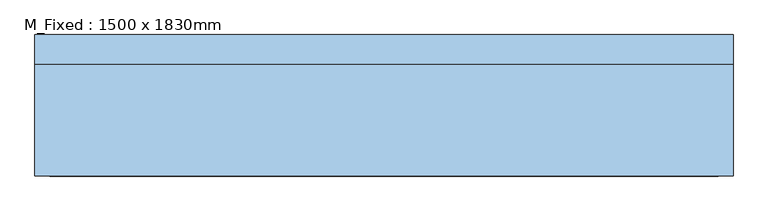
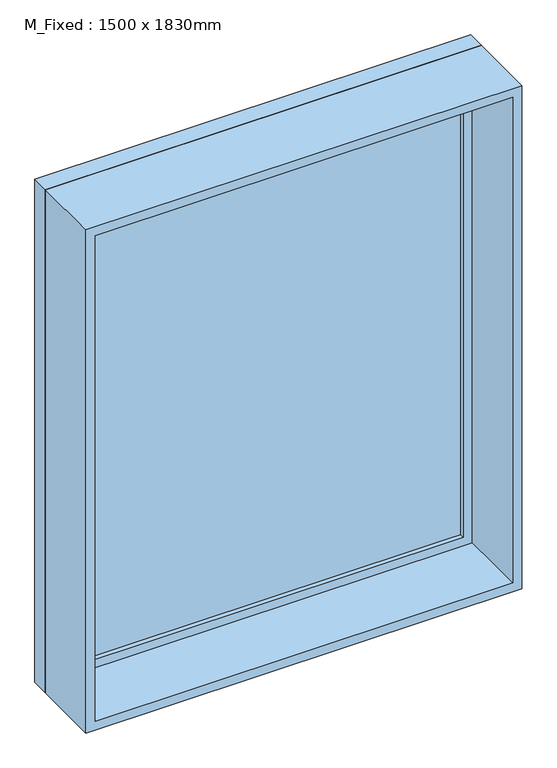
"""IFC4 building model written with IfcOpenShell, lengths in millimetres: window geometry, M_Fixed : 1500 x 1830mm."""

from ifc_helpers import new_model, si_unit, frame, origin, place, context, project, spatial, polyline, outline, extrude, source, transform, mapped, element, save


def m_fixed_1500_x_1830mm_d15e9ea3(model_context):
    return source(origin(), model_context, "Body", "SweptSolid", [
        extrude(outline(polyline([(-687.0, 130.0), (687.0, 130.0), (687.0, 118.0), (-687.0, 118.0), (-687.0, 130.0)])), frame((0.0, 0.0, 368.0), z_axis=(0.0, 0.0, 1.0), x_axis=(1.0, 0.0, 0.0)), (0.0, 0.0, 1.0), 1704.0),
        extrude(outline(polyline([(2116.0, -731.0), (324.0, -731.0), (324.0, 731.0), (2116.0, 731.0), (2116.0, -731.0)]), holes=[polyline([(2072.0, -687.0), (2072.0, 687.0), (368.0, 687.0), (368.0, -687.0), (2072.0, -687.0)])]), frame((0.0, 102.0, 0.0), z_axis=(0.0, 1.0, 0.0), x_axis=(0.0, 0.0, 1.0)), (0.0, 0.0, 1.0), 44.0),
        extrude(outline(polyline([(2135.0, -750.0), (305.0, -750.0), (305.0, 750.0), (2135.0, 750.0), (2135.0, -750.0)]), holes=[polyline([(2116.0, -731.0), (2116.0, 731.0), (324.0, 731.0), (324.0, -731.0), (2116.0, -731.0)])]), frame((0.0, 102.0, 0.0), z_axis=(0.0, 1.0, 0.0), x_axis=(0.0, 0.0, 1.0)), (0.0, 0.0, 1.0), 63.0),
        extrude(outline(polyline([(2135.0, -750.0), (305.0, -750.0), (305.0, 750.0), (2135.0, 750.0), (2135.0, -750.0)]), holes=[polyline([(2103.0, -718.0), (2103.0, 718.0), (337.0, 718.0), (337.0, -718.0), (2103.0, -718.0)])]), frame((0.0, -139.0, 0.0), z_axis=(0.0, 1.0, 0.0), x_axis=(0.0, 0.0, 1.0)), (0.0, 0.0, 1.0), 241.0),
    ])


if __name__ == "__main__":
    model = new_model("IFC4")
    model_context = context("Model", 3, world=origin())
    ifc_project = project(units=[si_unit("LENGTHUNIT", "METRE", prefix="MILLI")], contexts=[model_context])
    site = spatial("IfcSite", under=ifc_project)
    building = spatial("IfcBuilding", under=site)
    placement = place(None, origin())
    m_fixed_1500_x_1830mm_shape = m_fixed_1500_x_1830mm_d15e9ea3(model_context)
    element("IfcWindow", 1, ObjectType="M_Fixed : 1500 x 1830mm", at=placement, inside=building, context=model_context, shape_type="MappedRepresentation", body=[
        mapped(m_fixed_1500_x_1830mm_shape, transform((0.0, 0.0, 0.0), x_axis=(1.0, 0.0, 0.0), y_axis=(0.0, 1.0, 0.0), z_axis=(0.0, 0.0, 1.0))),
    ])
    save(model, "model.ifc")
